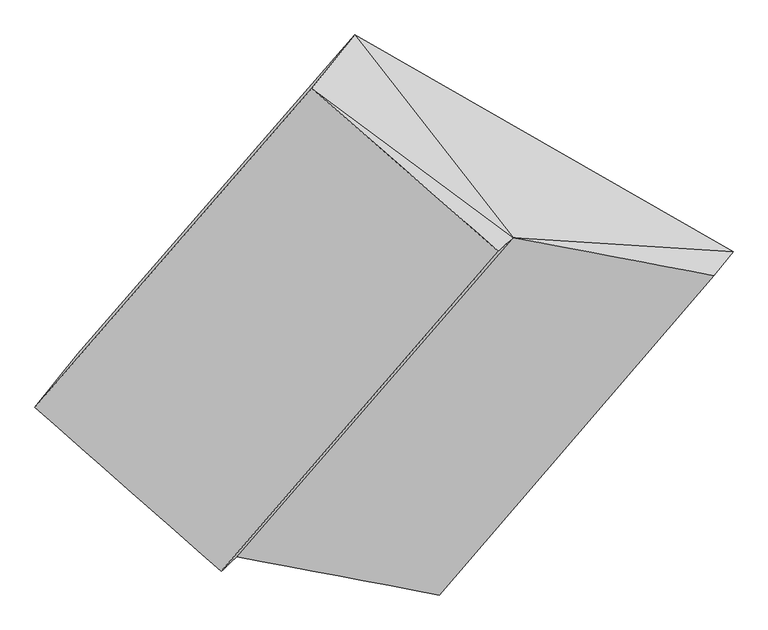
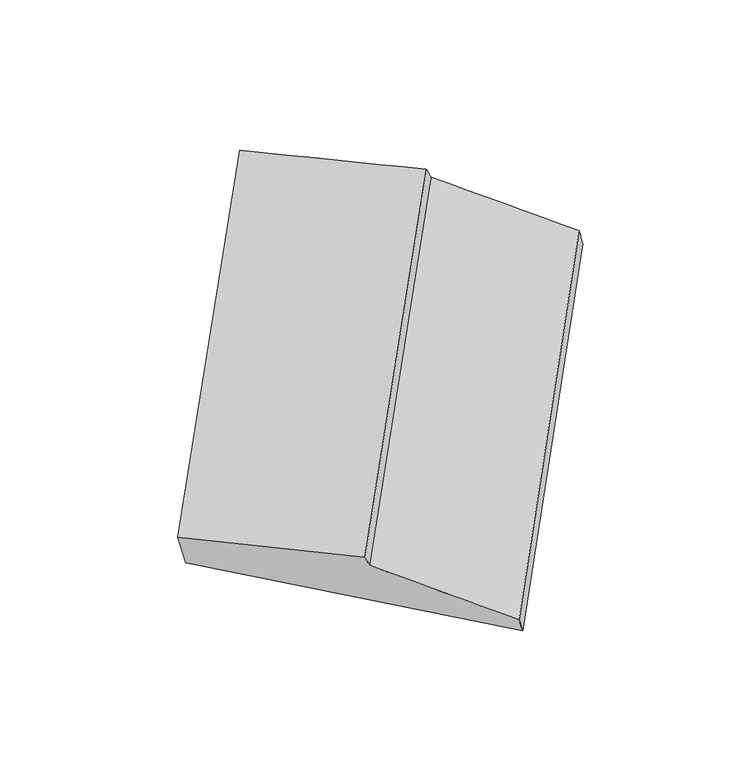
"""IFC4 building model written with IfcOpenShell, lengths in millimetres: proxy geometry."""

from ifc_helpers import new_model, si_unit, frame, origin, place, context, project, spatial, source, transform, mapped, element, save
from ifc_brep_helpers import plane_surface, spline_surface, advanced_brep


def generic_models_7c3e03e2(model_context):
    return source(origin(), model_context, "Body", "AdvancedBrep", [
        advanced_brep(
        [(-2486.4658692, -2612.040849, 519.8593379), (-4381.6435438, -1526.4828168, 1064.1766877), (-3001.5967757, 62.4810663, 2679.3300306), (-1115.1949824, -1018.0501399, 2137.5332173), (-4594.175803, -1792.7822899, 1504.3074859), (-3214.129035, -203.8184069, 3119.4608287), (-3666.4798707, -2610.7576338, 1517.8438992), (-2284.5058736, -1016.0201674, 3137.3074188), (-3587.9860065, -2537.6412547, 1379.9449745), (-2209.8647724, -947.7312378, 3007.38714), (-2579.2344115, -2728.2783277, 711.9727269), (-1210.9542181, -1137.5211527, 2346.9206843)],
        [
            (0, 1),
            (1, 2),
            (2, 3),
            (3, 0),
            (1, 4),
            (4, 5),
            (5, 2),
            (4, 6),
            (6, 7),
            (7, 5),
            (6, 8),
            (8, 9),
            (9, 7),
            (8, 10),
            (10, 11),
            (11, 9),
            (10, 0),
            (3, 11),
            (9, 2),
            (5, 9),
            (3, 9),
        ],
        [
            plane_surface(frame((-3434.0547065, -2069.2618329, 792.0180128), z_axis=(0.14878293854322186, 0.6384076630502669, -0.7551816291178837), x_axis=(-0.841975601540999, 0.48228374015959635, 0.24182530965005247))),
            plane_surface(frame((-4487.9096734, -1659.6325534, 1284.2420868), z_axis=(-0.7649076661698495, 0.6438237195371345, 0.02018118916127995), x_axis=(-0.3818420989362592, -0.47844195570528686, 0.790752746755174))),
            spline_surface(1, 1, [[(-4594.175803, -1792.7822899, 1504.3074859), (-3214.129035, -203.8184069, 3119.4608287)], [(-3666.4798707, -2610.7576338, 1517.8438992), (-2284.5058736, -1016.0201674, 3137.3074188)]], [2, 2], [2, 2], [0.0, 1.0], [0.0, 1.0]),
            spline_surface(1, 1, [[(-3666.4798707, -2610.7576338, 1517.8438992), (-2284.5058736, -1016.0201674, 3137.3074188)], [(-3587.9860065, -2537.6412547, 1379.9449745), (-2209.8647724, -947.7312378, 3007.38714)]], [2, 2], [2, 2], [0.0, 1.0], [0.0, 1.0]),
            spline_surface(1, 1, [[(-3587.9860065, -2537.6412547, 1379.9449745), (-2209.8647724, -947.7312378, 3007.38714)], [(-2579.2344115, -2728.2783277, 711.9727269), (-1210.9542181, -1137.5211527, 2346.9206843)]], [2, 2], [2, 2], [0.0, 1.0], [0.0, 1.0]),
            spline_surface(1, 1, [[(-2579.2344115, -2728.2783277, 711.9727269), (-1210.9542181, -1137.5211527, 2346.9206843)], [(-2486.4658692, -2612.040849, 519.8593379), (-1115.1949824, -1018.0501399, 2137.5332173)]], [2, 2], [2, 2], [0.0, 1.0], [0.0, 1.0]),
            plane_surface(frame((-3549.3309175, -2301.3305287, 1116.350852), z_axis=(-0.518090689523139, -0.5977105326932778, -0.6118203629636367), x_axis=(-0.3818420989362341, -0.47844195570528053, 0.7907527467551899))),
            plane_surface(frame((-2808.5301944, -363.0228594, 2935.3926664), z_axis=(0.513741328116214, 0.6013496307960274, 0.611921947087102), x_axis=(-0.5976416907487394, 0.7625623151035704, -0.2476350642838595))),
            plane_surface(frame((-2569.4998937, -722.5232707, 3088.0517958), z_axis=(0.5139119429761425, 0.6016453566816333, 0.6114878409665366), x_axis=(-0.8003405310614551, 0.5928554986238191, 0.08931624763597501))),
            plane_surface(frame((-1512.0046577, -1034.4341768, 2497.2803472), z_axis=(0.5092625129224808, 0.6263015933705409, 0.590252494338992), x_axis=(0.8238711609896218, -0.15653297176723144, -0.5447327223871646))),
            plane_surface(frame((-2108.8855102, -634.4334371, 2608.0834626), z_axis=(0.5194456406518843, 0.6035423309489857, 0.6049073327051168), x_axis=(0.7819284275492041, -0.05022916415752828, -0.6213412631223403))),
        ],
        [
            (0, [[1, 2, 3, 4]]),
            (1, [[5, 6, 7, -2]]),
            (2, [[8, 9, 10, -6]]),
            (3, [[11, 12, 13, -9]]),
            (4, [[14, 15, 16, -12]]),
            (5, [[17, -4, 18, -15]]),
            (6, [[-17, -14, -11, -8, -5, -1]]),
            (7, [[19, -7, 20]]),
            (8, [[-20, -10, -13]]),
            (9, [[-16, -18, 21]]),
            (10, [[-21, -3, -19]]),
        ],
    ),
    ])


if __name__ == "__main__":
    model = new_model("IFC4")
    model_context = context("Model", 3, world=origin())
    ifc_project = project(units=[si_unit("LENGTHUNIT", "METRE", prefix="MILLI")], contexts=[model_context])
    site = spatial("IfcSite", under=ifc_project)
    building = spatial("IfcBuilding", under=site)
    placement = place(None, origin())
    generic_models_shape = generic_models_7c3e03e2(model_context)
    element("IfcBuildingElementProxy", 1, Name="Generic Models", at=placement, inside=building, context=model_context, shape_type="MappedRepresentation", body=[
        mapped(generic_models_shape, transform((0.0, 0.0, 0.0), x_axis=(1.0, 0.0, 0.0), y_axis=(0.0, 1.0, 0.0), z_axis=(0.0, 0.0, 1.0))),
    ])
    save(model, "model.ifc")
